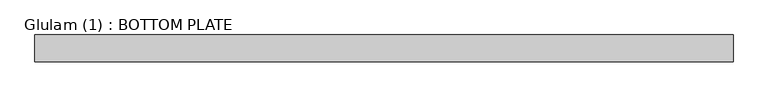
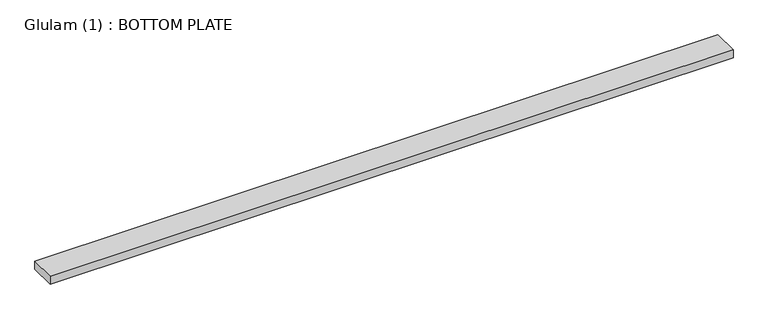
"""IFC4 building model written with IfcOpenShell, lengths in millimetres: beam geometry, Glulam (1) : BOTTOM PLATE."""

from ifc_helpers import new_model, si_unit, frame, origin, place, context, project, spatial, polyline, outline, extrude, source, transform, mapped, element, save


def glulam_1_bottom_plate_cfd58405(model_context):
    return source(origin(), model_context, "Body", "SweptSolid", [
        extrude(outline(polyline([(1566.6396103, 70.0), (1566.6396103, -70.0), (-2090.0, -70.0), (-2090.0, 70.0), (1566.6396103, 70.0)])), frame((0.0, 0.0, -22.5), z_axis=(0.0, 0.0, 1.0), x_axis=(1.0, 0.0, 0.0)), (0.0, 0.0, 1.0), 45.0),
    ])


if __name__ == "__main__":
    model = new_model("IFC4")
    model_context = context("Model", 3, world=origin())
    ifc_project = project(units=[si_unit("LENGTHUNIT", "METRE", prefix="MILLI")], contexts=[model_context])
    site = spatial("IfcSite", under=ifc_project)
    building = spatial("IfcBuilding", under=site)
    placement = place(None, origin())
    glulam_1_bottom_plate_shape = glulam_1_bottom_plate_cfd58405(model_context)
    element("IfcBeam", 1, ObjectType="Glulam (1) : BOTTOM PLATE", at=placement, inside=building, context=model_context, shape_type="MappedRepresentation", body=[
        mapped(glulam_1_bottom_plate_shape, transform((0.0, 0.0, 0.0), x_axis=(1.0, 0.0, 0.0), y_axis=(0.0, 1.0, 0.0), z_axis=(0.0, 0.0, 1.0))),
    ])
    save(model, "model.ifc")
